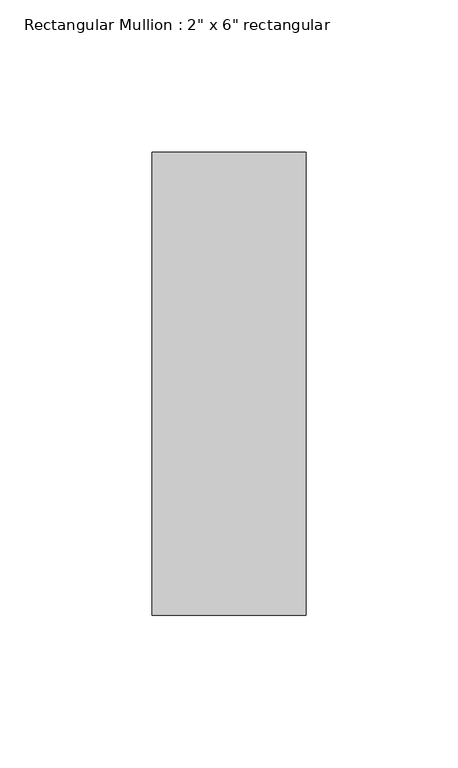
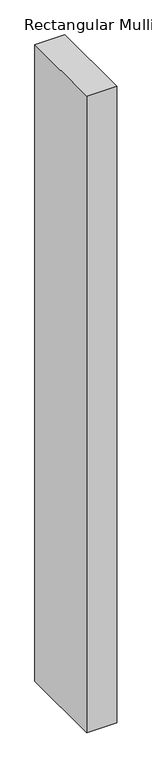
"""IFC4 building model written with IfcOpenShell, lengths in millimetres: member geometry."""

from ifc_helpers import new_model, si_unit, frame, origin, place, context, project, spatial, polyline, outline, extrude, source, transform, mapped, element, save


def member_2bac1c41(model_context):
    return source(origin(), model_context, "Body", "SweptSolid", [
        extrude(outline(polyline([(25.4, 76.2), (25.4, -76.2), (-25.4, -76.2), (-25.4, 76.2), (25.4, 76.2)])), frame((0.0, 0.0, -1143.0), z_axis=(0.0, 0.0, 1.0), x_axis=(1.0, 0.0, 0.0)), (0.0, 0.0, 1.0), 1143.0),
    ])


if __name__ == "__main__":
    model = new_model("IFC4")
    model_context = context("Model", 3, world=origin())
    ifc_project = project(units=[si_unit("LENGTHUNIT", "METRE", prefix="MILLI")], contexts=[model_context])
    site = spatial("IfcSite", under=ifc_project)
    building = spatial("IfcBuilding", under=site)
    placement = place(None, origin())
    member_shape = member_2bac1c41(model_context)
    element("IfcMember", 1, ObjectType="Rectangular Mullion : 2\" x 6\" rectangular", at=placement, inside=building, context=model_context, shape_type="MappedRepresentation", body=[
        mapped(member_shape, transform((0.0, 0.0, 0.0), x_axis=(1.0, 0.0, 0.0), y_axis=(0.0, 1.0, 0.0), z_axis=(0.0, 0.0, 1.0))),
    ])
    save(model, "model.ifc")
